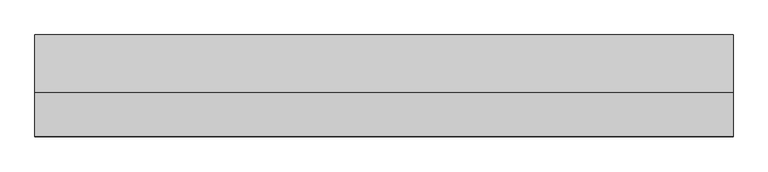
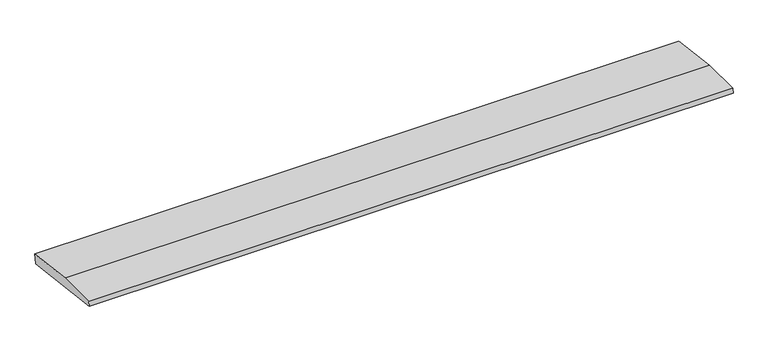
"""IFC4 building model written with IfcOpenShell, lengths in millimetres: beam geometry."""

from ifc_helpers import new_model, si_unit, frame, origin, place, context, project, spatial, polyline, outline, extrude, source, transform, mapped, element, save


def beam_653da2ef(model_context):
    return source(origin(), model_context, "Body", "SweptSolid", [
        extrude(outline(polyline([(0.0, -9.143159), (1.1226388, 0.0), (79.0749747, 0.0), (180.9387048, -12.5072934), (178.6231873, -31.3656703), (0.0, -9.143159)])), frame((-619.6310453, 0.0, 0.0), z_axis=(1.0, 0.0, 0.0), x_axis=(0.0, 1.0, 0.0)), (0.0, 0.0, 1.0), 1239.2620906),
    ])


if __name__ == "__main__":
    model = new_model("IFC4")
    model_context = context("Model", 3, world=origin())
    ifc_project = project(units=[si_unit("LENGTHUNIT", "METRE", prefix="MILLI")], contexts=[model_context])
    site = spatial("IfcSite", under=ifc_project)
    building = spatial("IfcBuilding", under=site)
    placement = place(None, origin())
    beam_shape = beam_653da2ef(model_context)
    element("IfcBeam", 1, at=placement, inside=building, context=model_context, shape_type="MappedRepresentation", body=[
        mapped(beam_shape, transform((0.0, 0.0, 0.0), x_axis=(1.0, 0.0, 0.0), y_axis=(0.0, 1.0, 0.0), z_axis=(0.0, 0.0, 1.0))),
    ])
    save(model, "model.ifc")
